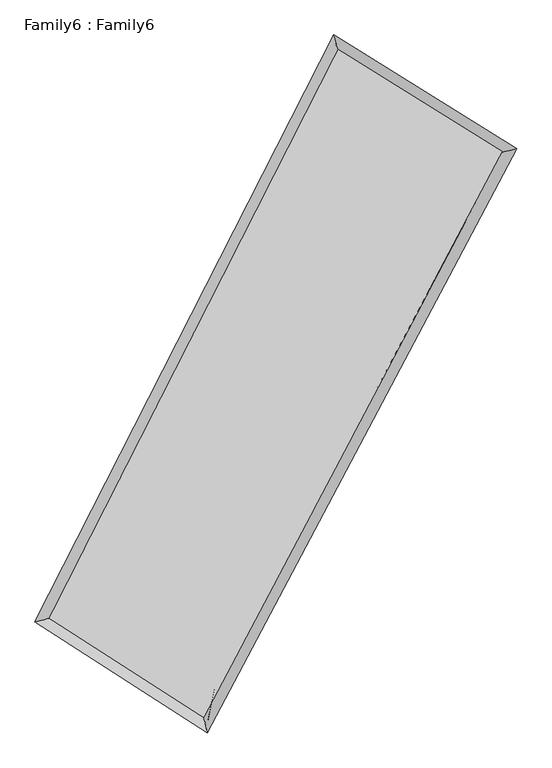
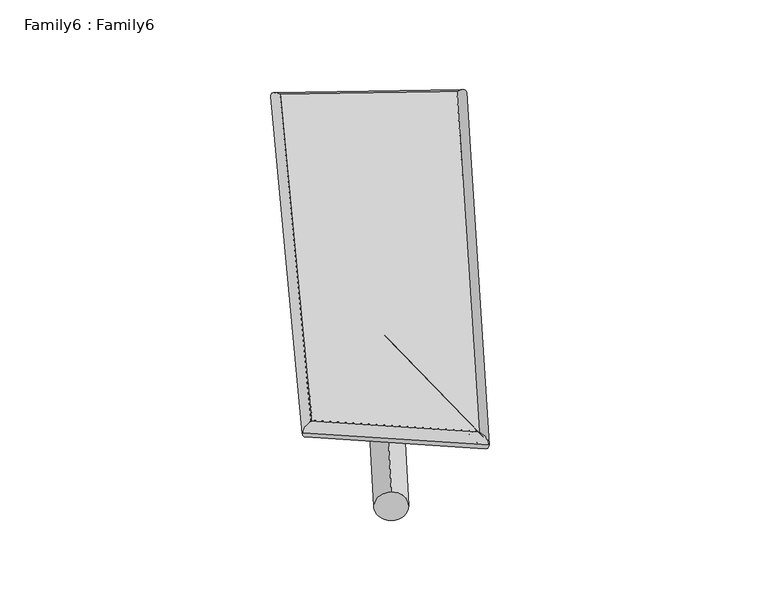
"""IFC4 building model written with IfcOpenShell, lengths in millimetres: plate geometry, Family6 : Family6."""

from ifc_helpers import new_model, si_unit, point, frame, origin, origin_2d, place, context, project, spatial, circle_curve, ellipse_curve, trimmed, segment, composite_curve, outline, extrude, source, transform, mapped, element, save
from ifc_brep_helpers import plane_surface, cylinder_surface, spline_surface, advanced_brep


def family6_family6_001ba4bc(model_context):
    return source(origin(), model_context, "Body", "SolidModel", [
        extrude(outline(composite_curve([segment(trimmed(circle_curve(origin_2d(), 76.2), [point((-75.4341515, -10.7763073))], [point((75.4341515, 10.7763073))], False, "CARTESIAN"), True, "CONTINUOUS"), segment(trimmed(circle_curve(origin_2d(), 76.2), [point((75.4341515, 10.7763073))], [point((-75.4341515, -10.7763073))], False, "CARTESIAN"), True, "CONTINUOUS")], self_intersect=False)), frame((9144.0, 9144.0, 0.0), z_axis=(0.6740815276570653, 0.6784692668515616, 0.2920505915238346), x_axis=(-0.6728480129591659, 0.7271317579362812, -0.13621658510400184)), (0.0, 0.0, 1.0), 5432.68933),
        extrude(outline(composite_curve([segment(trimmed(circle_curve(origin_2d(), 76.2), [point((-53.8815368, 53.8815368))], [point((53.8815368, -53.8815368))], False, "CARTESIAN"), True, "CONTINUOUS"), segment(trimmed(circle_curve(origin_2d(), 76.2), [point((53.8815368, -53.8815368))], [point((-53.8815368, 53.8815368))], False, "CARTESIAN"), True, "CONTINUOUS")], self_intersect=False)), frame((9144.0, 9144.0, 0.0), z_axis=(-0.6629973489726392, -0.6882280033075743, 0.29457890406225984), x_axis=(0.6558890831870147, -0.34431542372611723, 0.6717562054349792)), (0.0, 0.0, 1.0), 5395.5012165),
        extrude(outline(composite_curve([segment(trimmed(circle_curve(origin_2d(), 76.2), [point((-53.8815368, -53.8815367))], [point((53.8815368, 53.8815367))], False, "CARTESIAN"), True, "CONTINUOUS"), segment(trimmed(circle_curve(origin_2d(), 76.2), [point((53.8815368, 53.8815367))], [point((-53.8815368, -53.8815367))], False, "CARTESIAN"), True, "CONTINUOUS")], self_intersect=False)), frame((9144.0, 9144.0, 0.0), z_axis=(0.18222945149557246, 0.9484306211004314, 0.25936804731244906), x_axis=(-0.8518398996042831, 0.28402796121333423, -0.4401101029187603)), (0.0, 0.0, 1.0), 5618.1087539),
        extrude(outline(composite_curve([segment(trimmed(circle_curve(origin_2d(), 76.2), [point((-75.4341514, 10.7763074))], [point((75.4341514, -10.7763074))], False, "CARTESIAN"), True, "CONTINUOUS"), segment(trimmed(circle_curve(origin_2d(), 76.2), [point((75.4341514, -10.7763074))], [point((-75.4341514, 10.7763074))], False, "CARTESIAN"), True, "CONTINUOUS")], self_intersect=False)), frame((9144.0, 9144.0, 0.0), z_axis=(-0.19545260352864377, -0.9458643441952264, 0.2591117947026131), x_axis=(0.9011049931023718, -0.06893277263686769, 0.42808651492726146)), (0.0, 0.0, 1.0), 5611.8511126),
        advanced_brep(
        [(5369.0116348, 5377.3936634, 1581.8833608), (5368.7710667, 5376.8981656, 1600.6688833), (5764.5823593, 5483.9362784, 1596.9183096), (10228.0583046, 14255.4234126, 1468.6277797), (10107.5114487, 14689.3493371, 1445.6880145), (5764.8229275, 5484.4317762, 1578.1327872), (12604.9603228, 12775.6778482, 1585.2635449), (13007.190723, 12884.1476453, 1587.9767199), (7989.9921251, 4053.7839423, 1456.7490761), (8104.3060538, 3618.116313, 1451.4445507)],
        [
            (0, 1, ellipse_curve(frame((5566.7969971, 5430.6649709, 1589.4008352), z_axis=(-0.26079097854015887, 0.9651418986257985, 0.02211743721716527), x_axis=(-0.96419477494769, -0.2615405031500914, 0.04387483533382703)), 205.514644, 152.4)),
            (1, 2, ellipse_curve(frame((5566.7969971, 5430.6649709, 1589.4008352), z_axis=(-0.26079097854015887, 0.9651418986257985, 0.02211743721716527), x_axis=(-0.96419477494769, -0.2615405031500914, 0.04387483533382703)), 205.514644, 152.4)),
            (2, 3),
            (3, 4, ellipse_curve(frame((10167.7848767, 14472.3863749, 1457.1578971), z_axis=(-0.9630066838495972, -0.2686462911067401, -0.021149400360161427), x_axis=(0.2677660568594172, -0.9627702804617989, 0.03707729566012794)), 225.4970102, 152.4)),
            (4, 0),
            (2, 5, ellipse_curve(frame((5566.7969971, 5430.6649709, 1589.4008352), z_axis=(-0.26079097854015887, 0.9651418986257985, 0.02211743721716527), x_axis=(-0.96419477494769, -0.2615405031500914, 0.04387483533382703)), 205.514644, 152.4)),
            (5, 0, ellipse_curve(frame((5566.7969971, 5430.6649709, 1589.4008352), z_axis=(-0.26079097854015887, 0.9651418986257985, 0.02211743721716527), x_axis=(-0.96419477494769, -0.2615405031500914, 0.04387483533382703)), 205.514644, 152.4)),
            (4, 3, ellipse_curve(frame((10167.7848767, 14472.3863749, 1457.1578971), z_axis=(-0.9630066838495972, -0.2686462911067401, -0.021149400360161427), x_axis=(0.2677660568594172, -0.9627702804617989, 0.03707729566012794)), 225.4970102, 152.4)),
            (3, 6),
            (6, 7, ellipse_curve(frame((12806.0755229, 12829.9127468, 1586.6201324), z_axis=(-0.26019685563123307, 0.9653575658781726, -0.01955418935647226), x_axis=(-0.9645630847814526, -0.26079409005595233, -0.04005618639830953)), 208.4060766, 152.4)),
            (7, 4),
            (7, 6, ellipse_curve(frame((12806.0755229, 12829.9127468, 1586.6201324), z_axis=(-0.26019685563123307, 0.9653575658781726, -0.01955418935647226), x_axis=(-0.9645630847814526, -0.26079409005595233, -0.04005618639830953)), 208.4060766, 152.4)),
            (6, 8),
            (8, 9, ellipse_curve(frame((8047.1490894, 3835.9501277, 1454.0968134), z_axis=(0.9669003937317358, 0.25399835541937227, -0.024258277879283745), x_axis=(-0.25293243906508583, 0.966658598332785, 0.03995416796633279)), 225.3294148, 152.4)),
            (9, 7),
            (9, 8, ellipse_curve(frame((8047.1490894, 3835.9501277, 1454.0968134), z_axis=(0.9669003937317358, 0.25399835541937227, -0.024258277879283745), x_axis=(-0.25293243906508583, 0.966658598332785, 0.03995416796633279)), 225.3294148, 152.4)),
            (8, 5),
            (1, 9),
        ],
        [
            cylinder_surface(frame((5566.7969971, 5430.6649709, 1589.4008352), z_axis=(-0.4534824415933739, -0.8911698978061366, 0.013034124854105919), x_axis=(-0.8899437994955746, 0.4519656166579128, -0.06105010318102085)), 152.4),
            cylinder_surface(frame((10167.7848767, 14472.3863749, 1457.1578971), z_axis=(-0.8481952920839482, 0.5280458393408742, -0.04162136520367432), x_axis=(0.5293241139077479, 0.8478933577805832, -0.029880365917197487)), 152.4),
            cylinder_surface(frame((12806.0755229, 12829.9127468, 1586.6201324), z_axis=(0.4676497585478516, 0.8838179169255165, 0.013022789700245471), x_axis=(0.8839079431695888, -0.4676497585478517, -0.0032328519673910493)), 152.4),
            cylinder_surface(frame((8047.1490894, 3835.9501277, 1454.0968134), z_axis=(0.840263104543934, -0.5402378352430529, -0.04583662852010318), x_axis=(-0.5392671230865617, -0.8415084606916954, 0.03247276616237903)), 152.4),
        ],
        [
            (0, [[1, 2, 3, 4, 5]]),
            (0, [[6, 7, -5, 8, -3]]),
            (1, [[-4, 9, 10, 11]]),
            (1, [[-8, -11, 12, -9]]),
            (2, [[-10, 13, 14, 15]]),
            (2, [[-12, -15, 16, -13]]),
            (3, [[-14, 17, -6, -2, 18]]),
            (3, [[-16, -18, -1, -7, -17]]),
        ],
    ),
        extrude(outline(composite_curve([segment(trimmed(circle_curve(origin_2d(), 304.8), [point((-1e-07, 304.7999999))], [point((0.0, -304.8))], False, "CARTESIAN"), True, "CONTINUOUS"), segment(trimmed(circle_curve(origin_2d(), 304.8), [point((0.0, -304.8))], [point((-1e-07, 304.7999999))], False, "CARTESIAN"), True, "CONTINUOUS")], self_intersect=False)), frame((11550.9580848, 13634.1880371, -0.1426816), z_axis=(-0.4724502005373861, -0.8813573663547792, 2.8006278528834053e-05), x_axis=(-0.8813573667716863, 0.472450200537386, -7.032992319205332e-06)), (0.0, 0.0, 1.0), 10189.2562733),
        advanced_brep(
        [(5566.7969971, 5430.6649709, 1589.4008352), (8047.1490894, 3835.9501277, 1454.0968134), (8047.1170454, 3835.9595189, 1606.4968097), (5566.7649531, 5430.6743621, 1741.8008316), (12806.0755229, 12829.9127468, 1586.6201324), (12806.0434789, 12829.922138, 1739.0201287), (10167.7848767, 14472.3863749, 1457.1578971), (10167.7528327, 14472.3957661, 1609.5578934)],
        [
            (0, 1),
            (1, 2),
            (2, 3),
            (3, 0),
            (1, 4),
            (4, 5),
            (5, 2),
            (4, 6),
            (6, 7),
            (7, 5),
            (6, 0),
            (3, 7),
        ],
        [
            plane_surface(frame((6806.9730432, 4633.3075493, 1521.7488243), z_axis=(-0.5408086372065657, -0.8411456556945504, -6.187860958636535e-05), x_axis=(0.8402631045439342, -0.5402378352430528, -0.04583662852010315))),
            plane_surface(frame((10426.6123062, 8332.9314372, 1520.3584729), z_axis=(0.883891543197918, -0.4676918791044634, 0.00021466937250371864), x_axis=(0.4676497585478515, 0.8838179169255166, 0.013022789700245495))),
            plane_surface(frame((11486.9301998, 13651.1495608, 1521.8890147), z_axis=(0.5285017306665724, 0.8489322218078965, 5.8811104504445655e-05), x_axis=(-0.8481952920839481, 0.5280458393408742, -0.04162136520367429))),
            plane_surface(frame((7867.2909369, 9951.5256729, 1523.2793662), z_axis=(-0.8912468595549764, 0.4535184549287821, -0.00021534252350692302), x_axis=(-0.45348244159337386, -0.8911698978061365, 0.013034124854105942))),
            spline_surface(1, 1, [[(8047.1170454, 3835.9595189, 1606.4968097), (5566.7649531, 5430.6743621, 1741.8008316)], [(12806.0434789, 12829.922138, 1739.0201287), (10167.7528327, 14472.3957661, 1609.5578934)]], [2, 2], [2, 2], [0.0, 1.0], [0.0, 1.0]),
            spline_surface(1, 1, [[(10167.7848767, 14472.3863749, 1457.1578971), (5566.7969971, 5430.6649709, 1589.4008352)], [(12806.0755229, 12829.9127468, 1586.6201324), (8047.1490894, 3835.9501277, 1454.0968134)]], [2, 2], [2, 2], [0.0, 1.0], [0.0, 1.0]),
        ],
        [
            (0, [[1, 2, 3, 4]]),
            (1, [[5, 6, 7, -2]]),
            (2, [[8, 9, 10, -6]]),
            (3, [[11, -4, 12, -9]]),
            (4, [[-3, -7, -10, -12]]),
            (5, [[-11, -8, -5, -1]]),
        ],
    ),
    ])


if __name__ == "__main__":
    model = new_model("IFC4")
    model_context = context("Model", 3, world=origin())
    ifc_project = project(units=[si_unit("LENGTHUNIT", "METRE", prefix="MILLI")], contexts=[model_context])
    site = spatial("IfcSite", under=ifc_project)
    building = spatial("IfcBuilding", under=site)
    placement = place(None, origin())
    family6_family6_shape = family6_family6_001ba4bc(model_context)
    element("IfcPlate", 1, ObjectType="Family6 : Family6", at=placement, inside=building, context=model_context, shape_type="MappedRepresentation", body=[
        mapped(family6_family6_shape, transform((0.0, 0.0, 0.0), x_axis=(1.0, 0.0, 0.0), y_axis=(0.0, 1.0, 0.0), z_axis=(0.0, 0.0, 1.0))),
    ])
    save(model, "model.ifc")
